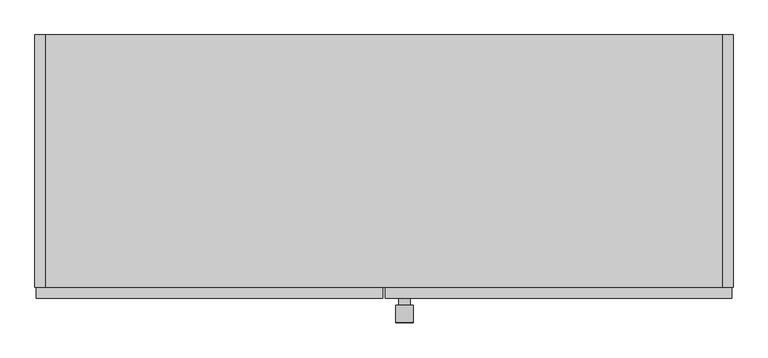
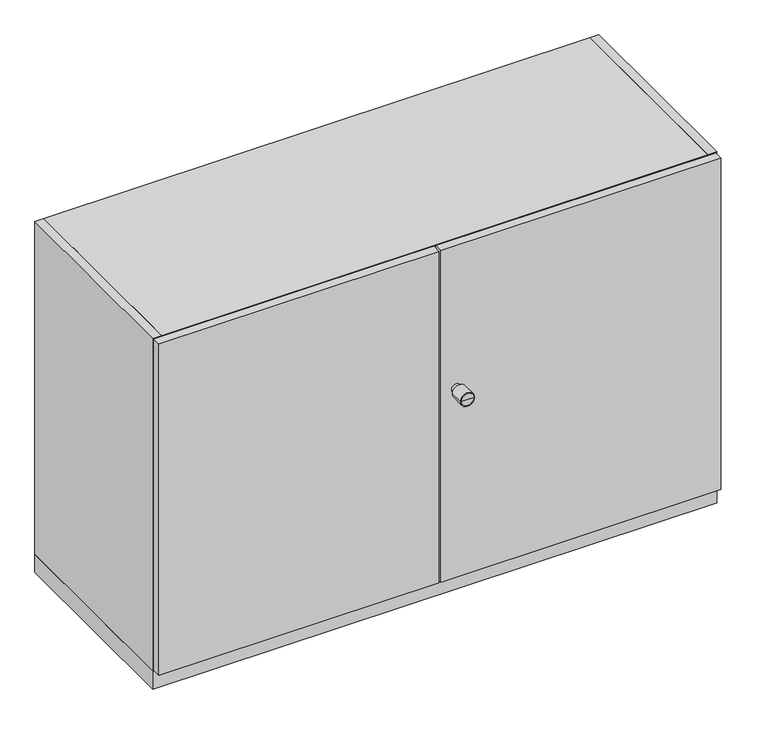
"""IFC4 building model written with IfcOpenShell, lengths in millimetres: furniture geometry."""

from ifc_helpers import new_model, si_unit, point, frame, origin, origin_with_axes, place, context, project, spatial, polyline, circle_curve, ellipse_curve, trimmed, outline, extrude, source, transform, mapped, element, save
from ifc_brep_helpers import plane_surface, cylinder_surface, revolved_surface, advanced_brep


def furniture_d74b5d83(model_context):
    return source(origin(), model_context, "Body", "SolidModel", [
        advanced_brep(
        [(-255.0, -248.0, 467.0), (-275.0, -248.0, 467.0), (-275.0, -236.0, 467.0), (-255.0, -236.0, 467.0), (-250.0, -248.0, 467.0), (-280.0, -248.0, 467.0), (-250.0, -277.0, 467.0), (-280.0, -277.0, 467.0), (-251.0, -278.0, 467.0), (-279.0, -278.0, 467.0), (-265.0, -278.0, 467.0), (-265.0, -236.0, 467.0)],
        [
            (0, 1, circle_curve(frame((-265.0, -248.0, 467.0), z_axis=(0.0, 1.0, 0.0), x_axis=(-1.0, 0.0, 0.0)), 10.0)),
            (1, 2),
            (2, 3, circle_curve(frame((-265.0, -236.0, 467.0), z_axis=(0.0, -1.0, 0.0), x_axis=(-1.0, 0.0, 0.0)), 10.0)),
            (3, 0),
            (1, 0, circle_curve(frame((-265.0, -248.0, 467.0), z_axis=(0.0, 1.0, 0.0), x_axis=(-1.0, 0.0, 0.0)), 10.0)),
            (3, 2, circle_curve(frame((-265.0, -236.0, 467.0), z_axis=(0.0, -1.0, 0.0), x_axis=(-1.0, 0.0, 0.0)), 10.0)),
            (4, 5, circle_curve(frame((-265.0, -248.0, 467.0), z_axis=(0.0, 1.0, 0.0), x_axis=(-1.0, 0.0, 0.0)), 15.0)),
            (5, 1),
            (0, 4),
            (5, 4, circle_curve(frame((-265.0, -248.0, 467.0), z_axis=(0.0, 1.0, 0.0), x_axis=(-1.0, 0.0, 0.0)), 15.0)),
            (6, 7, circle_curve(frame((-265.0, -277.0, 467.0), z_axis=(0.0, 1.0, 0.0), x_axis=(-1.0, 0.0, 0.0)), 15.0)),
            (7, 5),
            (4, 6),
            (7, 6, circle_curve(frame((-265.0, -277.0, 467.0), z_axis=(0.0, 1.0, 0.0), x_axis=(-1.0, 0.0, 0.0)), 15.0)),
            (8, 9, circle_curve(frame((-265.0, -278.0, 467.0), z_axis=(0.0, 1.0, 0.0), x_axis=(-1.0, 0.0, 0.0)), 14.0)),
            (9, 7, circle_curve(frame((-279.0, -277.0, 467.0), z_axis=(0.0, 0.0, -1.0), x_axis=(-1.0, 0.0, 0.0)), 1.0)),
            (6, 8, circle_curve(frame((-251.0, -277.0, 467.0), z_axis=(0.0, 0.0, -1.0), x_axis=(1.0, 0.0, 0.0)), 1.0)),
            (9, 8, circle_curve(frame((-265.0, -278.0, 467.0), z_axis=(0.0, 1.0, 0.0), x_axis=(-1.0, 0.0, 0.0)), 14.0)),
            (10, 9),
            (8, 10),
            (2, 11),
            (11, 3),
        ],
        [
            cylinder_surface(frame((-265.0, -278.0, 467.0), z_axis=(0.0, -1.0, 0.0), x_axis=(-1.0, 0.0, 0.0)), 10.0),
            plane_surface(frame((-265.0, -248.0, 467.0), z_axis=(0.0, 1.0, 0.0), x_axis=(-1.0, 0.0, 0.0))),
            cylinder_surface(frame((-265.0, -278.0, 467.0), z_axis=(0.0, -1.0, 0.0), x_axis=(-1.0, 0.0, 0.0)), 15.0),
            revolved_surface(trimmed(ellipse_curve(frame((-279.0, -277.0, 467.0), z_axis=(0.0, 0.0, 1.0), x_axis=(-1.0, 0.0, 0.0)), 1.0, 1.0), [point((-280.0, -277.0, 467.0))], [point((-279.0, -278.0, 467.0))], True, "CARTESIAN"), (-265.0, -278.0, 467.0), (0.0, -1.0, 0.0)),
            plane_surface(frame((-265.0, -278.0, 467.0), z_axis=(0.0, -1.0, 0.0), x_axis=(-1.0, 0.0, 0.0))),
            plane_surface(frame((-265.0, -236.0, 467.0), z_axis=(0.0, 1.0, 0.0), x_axis=(-1.0, 0.0, 0.0))),
        ],
        [
            (0, [[1, 2, 3, 4]]),
            (0, [[5, -4, 6, -2]]),
            (1, [[7, 8, -1, 9]]),
            (1, [[10, -9, -5, -8]]),
            (2, [[11, 12, -7, 13]]),
            (2, [[14, -13, -10, -12]]),
            (3, [[15, 16, -11, 17]]),
            (3, [[18, -17, -14, -16]]),
            (4, [[19, -15, 20]]),
            (4, [[-20, -18, -19]]),
            (5, [[-3, 21, 22]]),
            (5, [[-6, -22, -21]]),
        ],
    ),
        extrude(outline(polyline([(-302.0, -236.0), (-898.0, -236.0), (-898.0, -217.0), (-302.0, -217.0), (-302.0, -236.0)])), frame((0.0, 0.0, 42.0), z_axis=(0.0, 0.0, 1.0), x_axis=(1.0, 0.0, 0.0)), (0.0, 0.0, 1.0), 746.0),
        extrude(outline(polyline([(298.0, -236.0), (-298.0, -236.0), (-298.0, -217.0), (298.0, -217.0), (298.0, -236.0)])), frame((0.0, 0.0, 42.0), z_axis=(0.0, 0.0, 1.0), x_axis=(1.0, 0.0, 0.0)), (0.0, 0.0, 1.0), 746.0),
        extrude(outline(polyline([(-900.0, -217.0), (-900.0, 217.0), (300.0, 217.0), (300.0, -217.0), (-900.0, -217.0)])), origin_with_axes(), (0.0, 0.0, 1.0), 40.0),
        extrude(outline(polyline([(281.0, 207.0), (-881.0, 207.0), (-881.0, 215.0), (281.0, 215.0), (281.0, 207.0)])), frame((0.0, 0.0, 59.0), z_axis=(0.0, 0.0, 1.0), x_axis=(1.0, 0.0, 0.0)), (0.0, 0.0, 1.0), 712.0),
        extrude(outline(polyline([(-881.0, -217.0), (-881.0, 217.0), (281.0, 217.0), (281.0, -217.0), (-881.0, -217.0)])), frame((0.0, 0.0, 771.0), z_axis=(0.0, 0.0, 1.0), x_axis=(1.0, 0.0, 0.0)), (0.0, 0.0, 1.0), 19.0),
        extrude(outline(polyline([(300.0, 217.0), (300.0, -217.0), (281.0, -217.0), (281.0, 217.0), (300.0, 217.0)])), frame((0.0, 0.0, 40.0), z_axis=(0.0, 0.0, 1.0), x_axis=(1.0, 0.0, 0.0)), (0.0, 0.0, 1.0), 750.0),
        extrude(outline(polyline([(-881.0, 217.0), (-881.0, -217.0), (-900.0, -217.0), (-900.0, 217.0), (-881.0, 217.0)])), frame((0.0, 0.0, 40.0), z_axis=(0.0, 0.0, 1.0), x_axis=(1.0, 0.0, 0.0)), (0.0, 0.0, 1.0), 750.0),
        extrude(outline(polyline([(281.0, 217.0), (281.0, -217.0), (-881.0, -217.0), (-881.0, 217.0), (281.0, 217.0)])), frame((0.0, 0.0, 40.0), z_axis=(0.0, 0.0, 1.0), x_axis=(1.0, 0.0, 0.0)), (0.0, 0.0, 1.0), 19.0),
    ])


if __name__ == "__main__":
    model = new_model("IFC4")
    model_context = context("Model", 3, world=origin())
    ifc_project = project(units=[si_unit("LENGTHUNIT", "METRE", prefix="MILLI")], contexts=[model_context])
    site = spatial("IfcSite", under=ifc_project)
    building = spatial("IfcBuilding", under=site)
    placement = place(None, origin())
    furniture_shape = furniture_d74b5d83(model_context)
    element("IfcFurniture", 1, at=placement, inside=building, context=model_context, shape_type="MappedRepresentation", body=[
        mapped(furniture_shape, transform((0.0, 0.0, 0.0), x_axis=(1.0, 0.0, 0.0), y_axis=(0.0, 1.0, 0.0), z_axis=(0.0, 0.0, 1.0))),
    ])
    save(model, "model.ifc")
